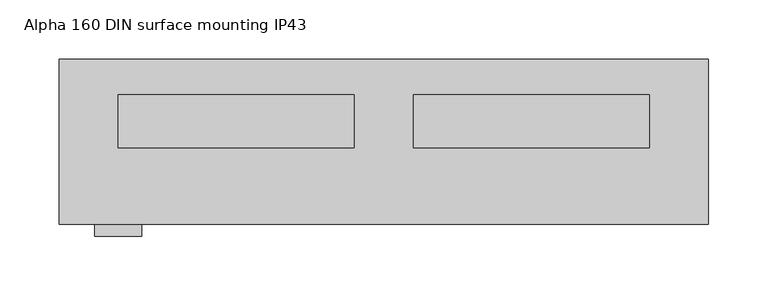
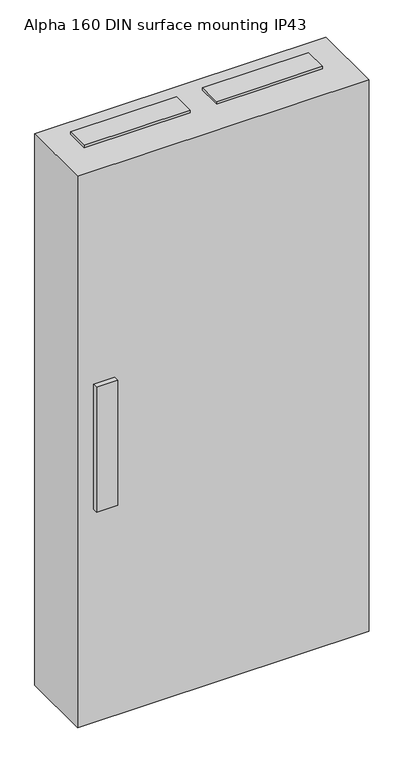
"""IFC4 building model written with IfcOpenShell, lengths in millimetres: proxy geometry, Alpha 160 DIN surface mounting IP43."""

from ifc_helpers import new_model, si_unit, frame, origin, origin_with_axes, place, context, project, spatial, polyline, outline, extrude, source, transform, mapped, element, save


def alpha_160_din_surface_mounting_ip43_89a3fd07(model_context):
    return source(origin(), model_context, "Body", "SweptSolid", [
        extrude(outline(polyline([(500.0, -30.0), (500.0, -75.0), (300.0, -75.0), (300.0, -30.0), (500.0, -30.0)])), frame((0.0, 0.0, 1100.0), z_axis=(0.0, 0.0, 1.0), x_axis=(1.0, 0.0, 0.0)), (0.0, 0.0, 1.0), 5.0),
        extrude(outline(polyline([(500.0, -30.0), (500.0, -75.0), (300.0, -75.0), (300.0, -30.0), (500.0, -30.0)])), frame((0.0, 0.0, -5.0), z_axis=(0.0, 0.0, 1.0), x_axis=(1.0, 0.0, 0.0)), (0.0, 0.0, 1.0), 5.0),
        extrude(outline(polyline([(250.0, -30.0), (250.0, -75.0), (50.0, -75.0), (50.0, -30.0), (250.0, -30.0)])), frame((0.0, 0.0, 1100.0), z_axis=(0.0, 0.0, 1.0), x_axis=(1.0, 0.0, 0.0)), (0.0, 0.0, 1.0), 5.0),
        extrude(outline(polyline([(250.0, -30.0), (250.0, -75.0), (50.0, -75.0), (50.0, -30.0), (250.0, -30.0)])), frame((0.0, 0.0, -5.0), z_axis=(0.0, 0.0, 1.0), x_axis=(1.0, 0.0, 0.0)), (0.0, 0.0, 1.0), 5.0),
        extrude(outline(polyline([(70.0, -140.0), (70.0, -150.0), (30.0, -150.0), (30.0, -140.0), (70.0, -140.0)])), frame((0.0, 0.0, 425.0), z_axis=(0.0, 0.0, 1.0), x_axis=(1.0, 0.0, 0.0)), (0.0, 0.0, 1.0), 250.0),
        extrude(outline(polyline([(550.0, 0.0), (550.0, -140.0), (0.0, -140.0), (0.0, 0.0), (550.0, 0.0)])), origin_with_axes(), (0.0, 0.0, 1.0), 1100.0),
    ])


if __name__ == "__main__":
    model = new_model("IFC4")
    model_context = context("Model", 3, world=origin())
    ifc_project = project(units=[si_unit("LENGTHUNIT", "METRE", prefix="MILLI")], contexts=[model_context])
    site = spatial("IfcSite", under=ifc_project)
    building = spatial("IfcBuilding", under=site)
    placement = place(None, origin())
    alpha_160_din_surface_mounting_ip43_shape = alpha_160_din_surface_mounting_ip43_89a3fd07(model_context)
    element("IfcBuildingElementProxy", 1, Name="Alpha 160 DIN surface mounting IP43", ObjectType="Alpha 160 DIN surface mounting IP43", at=placement, inside=building, context=model_context, shape_type="MappedRepresentation", body=[
        mapped(alpha_160_din_surface_mounting_ip43_shape, transform((0.0, 0.0, 0.0), x_axis=(1.0, 0.0, 0.0), y_axis=(0.0, 1.0, 0.0), z_axis=(0.0, 0.0, 1.0))),
    ])
    save(model, "model.ifc")
